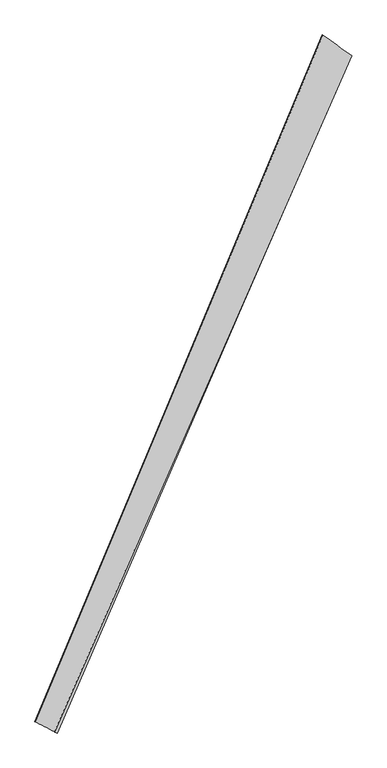
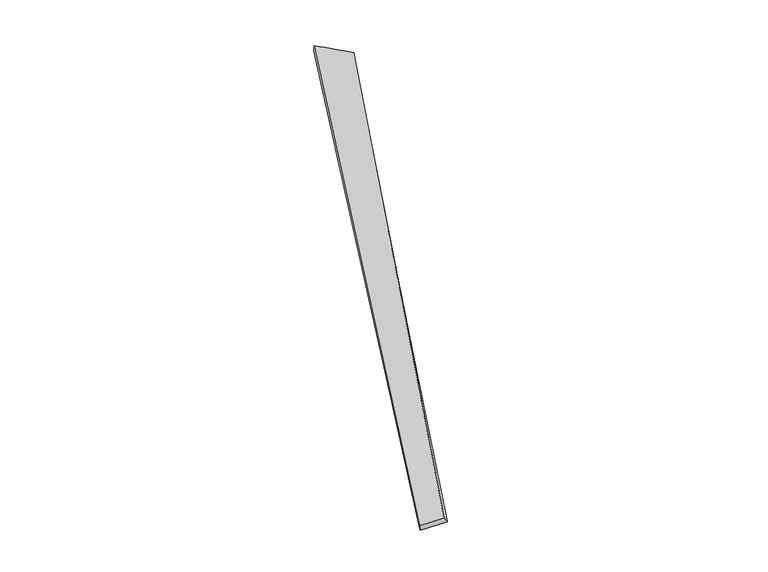
"""IFC4 building model written with IfcOpenShell, lengths in millimetres: proxy geometry."""

import ifcopenshell
import ifcopenshell.guid

model = None  # the IFC model being written
_history = None  # IfcOwnerHistory: only IFC2X3 demands one
_inside = {}  # id of a spatial element -> (the spatial element, [elements in it])
_under = {}  # id of a project, library or spatial element -> (it, [spatial elements below it])
_declared = {}  # id of a project -> (the project, [libraries it declares])
_typed = {}  # id of a type object -> (the type object, [elements of that type])
_made_of = {}  # id of a material, layer set ... -> (it, [elements and type objects made of it])


def new_model(schema):
    """Start an empty IFC model of exactly this schema.

    Asked for "IFC4X3", IfcOpenShell would pick the latest addendum, in which some entities
    have other attributes; the version numbers below select the first issue.
    IFC2X3 requires an IfcOwnerHistory on every rooted entity: one is made here for all.
    """
    global model, _history
    if schema == "IFC4X3":
        model = ifcopenshell.file(schema_version=(4, 3, 0, 0))
    else:
        model = ifcopenshell.file(schema=schema)
    _inside.clear()
    _under.clear()
    _declared.clear()
    _typed.clear()
    _made_of.clear()
    _history = None
    if model.schema == "IFC2X3":
        org = make("IfcOrganization", Name="unknown")
        user = make(
            "IfcPersonAndOrganization",
            ThePerson=make("IfcPerson", FamilyName="unknown"),
            TheOrganization=org,
        )
        app = make(
            "IfcApplication",
            ApplicationDeveloper=org,
            Version="unknown",
            ApplicationFullName="unknown",
            ApplicationIdentifier="unknown",
        )
        _history = make(
            "IfcOwnerHistory",
            OwningUser=user,
            OwningApplication=app,
            ChangeAction="ADDED",
            CreationDate=0,
        )
    return model


def make(cls, **values):
    """One entity of the class cls with the attributes given. An attribute that is None is left unset."""
    return model.create_entity(
        cls, **{name: value for name, value in values.items() if value is not None}
    )


def rooted(cls, **values):
    """An entity with a GlobalId (a new one), such as an element, a storey or a relation."""
    return make(cls, GlobalId=ifcopenshell.guid.new(), OwnerHistory=_history, **values)


def si_unit(unit_type, name, prefix=None):
    """IfcSIUnit, for example si_unit("LENGTHUNIT", "METRE", prefix="MILLI")."""
    return make("IfcSIUnit", UnitType=unit_type, Prefix=prefix, Name=name)


def assignment(units):
    """IfcUnitAssignment: the units of a project."""
    return None if units is None else make("IfcUnitAssignment", Units=units)


def point(xyz):
    """IfcCartesianPoint."""
    return None if xyz is None else make("IfcCartesianPoint", Coordinates=xyz)


def direction(xyz):
    """IfcDirection."""
    return None if xyz is None else make("IfcDirection", DirectionRatios=xyz)


def frame(location, z_axis=None, x_axis=None):
    """IfcAxis2Placement3D, a coordinate frame: its origin and axes. An axis left out is left unset."""
    return make(
        "IfcAxis2Placement3D",
        Location=point(location),
        Axis=direction(z_axis),
        RefDirection=direction(x_axis),
    )


def origin():
    """The frame at (0, 0, 0) with its axes left unset."""
    return frame((0.0, 0.0, 0.0))


def place(relative_to, where):
    """IfcLocalPlacement: puts the frame where relative to a parent placement (None: the world)."""
    return make(
        "IfcLocalPlacement", PlacementRelTo=relative_to, RelativePlacement=where
    )


def context(
    kind, dimensions, precision=None, world=None, true_north=None, identifier=None
):
    """IfcGeometricRepresentationContext, for example the 3D "Model" context."""
    return make(
        "IfcGeometricRepresentationContext",
        ContextIdentifier=identifier,
        ContextType=kind,
        CoordinateSpaceDimension=dimensions,
        Precision=precision,
        WorldCoordinateSystem=world,
        TrueNorth=true_north,
    )


def project(units=None, contexts=None):
    """IfcProject with its units and contexts."""
    return rooted(
        "IfcProject",
        Name="project",
        RepresentationContexts=contexts,
        UnitsInContext=assignment(units),
    )


def spatial(cls, under=None, at=None, **own):
    """A site, building, storey or space (cls), placed at a placement, below another one or the project."""
    s = rooted(cls, ObjectPlacement=at, **own)
    if under is not None:
        _under.setdefault(under.id(), (under, []))[1].append(s)
    return s


def shape(context_of_items, identifier, shape_type, items):
    """IfcShapeRepresentation: the items that make up one representation, for example the "Body"."""
    return make(
        "IfcShapeRepresentation",
        ContextOfItems=context_of_items,
        RepresentationIdentifier=identifier,
        RepresentationType=shape_type,
        Items=items,
    )


def source(mapping_origin, context_of_items, identifier, shape_type, items):
    """IfcRepresentationMap: a shape defined once, which mapped items show again and again."""
    return make(
        "IfcRepresentationMap",
        MappingOrigin=mapping_origin,
        MappedRepresentation=shape(context_of_items, identifier, shape_type, items),
    )


def transform(
    local_origin,
    x_axis=None,
    y_axis=None,
    z_axis=None,
    scale=None,
    scale2=None,
    scale3=None,
    uniform=True,
):
    """IfcCartesianTransformationOperator3D, or its non-uniform kind. x_axis, y_axis, z_axis: its Axis1, 2, 3."""
    if uniform:
        return make(
            "IfcCartesianTransformationOperator3D",
            Axis1=direction(x_axis),
            Axis2=direction(y_axis),
            LocalOrigin=point(local_origin),
            Scale=scale,
            Axis3=direction(z_axis),
        )
    return make(
        "IfcCartesianTransformationOperator3DnonUniform",
        Axis1=direction(x_axis),
        Axis2=direction(y_axis),
        LocalOrigin=point(local_origin),
        Scale=scale,
        Axis3=direction(z_axis),
        Scale2=scale2,
        Scale3=scale3,
    )


def mapped(mapping_source, mapping_target):
    """IfcMappedItem: shows the shape of a source again, moved by a transform."""
    return make(
        "IfcMappedItem", MappingSource=mapping_source, MappingTarget=mapping_target
    )


def made_of(thing, what):
    """Note that an element or type object is made of a material, layer set ...; save() writes the relation."""
    if what is not None:
        _made_of.setdefault(what.id(), (what, []))[1].append(thing)
    return thing


def element(
    cls,
    number,
    at=None,
    inside=None,
    cuts=None,
    type_object=None,
    material=None,
    context=None,
    identifier="Body",
    shape_type=None,
    held_by="IfcProductDefinitionShape",
    body=None,
    shapes=None,
    **own,
):
    """One element of the class cls, such as IfcWall. Its Tag is "e" and its number.

    at: its placement. inside: the storey or other place that contains it. cuts: it is an
    opening in that element (IfcRelVoidsElement). A single representation is given by context,
    identifier, shape_type and body (its items); several are given by shapes. held_by: the class
    of the entity that holds the representations. save() writes the other relations.
    """
    e = rooted(cls, Tag="e%d" % number, ObjectPlacement=at, **own)
    if body is not None:
        shapes = [shape(context, identifier, shape_type, body)]
    if shapes is not None:
        e.Representation = make(held_by, Representations=shapes)
    if inside is not None:
        _inside.setdefault(inside.id(), (inside, []))[1].append(e)
    if cuts is not None:
        rooted(
            "IfcRelVoidsElement", RelatingBuildingElement=cuts, RelatedOpeningElement=e
        )
    if type_object is not None:
        _typed.setdefault(type_object.id(), (type_object, []))[1].append(e)
    return made_of(e, material)


def aggregate(whole, parts):
    """IfcRelAggregates: a whole, such as a stair, and the parts it consists of."""
    return rooted("IfcRelAggregates", RelatingObject=whole, RelatedObjects=parts)


def save(model, path):
    """Write the relations noted so far, then the file.

    IfcRelAggregates (storeys below a building ...), IfcRelContainedInSpatialStructure (elements
    in a storey), IfcRelDefinesByType, IfcRelAssociatesMaterial and IfcRelDeclares: one each for
    every whole, place, type object, material and project.
    """
    for whole, parts in _under.values():
        aggregate(whole, parts)
    for where, things in _inside.values():
        rooted(
            "IfcRelContainedInSpatialStructure",
            RelatedElements=things,
            RelatingStructure=where,
        )
    for kind, things in _typed.values():
        rooted("IfcRelDefinesByType", RelatedObjects=things, RelatingType=kind)
    for what, things in _made_of.values():
        rooted("IfcRelAssociatesMaterial", RelatedObjects=things, RelatingMaterial=what)
    for by, libraries in _declared.values():
        rooted("IfcRelDeclares", RelatingContext=by, RelatedDefinitions=libraries)
    model.write(path)


def spline_surface(u_degree, v_degree, points, u_multiplicities, v_multiplicities, u_knots, v_knots, weights=None):
    """IfcBSplineSurfaceWithKnots; with weights, IfcRationalBSplineSurfaceWithKnots. points: one row for each step in u."""
    own = dict(
        UDegree=u_degree,
        VDegree=v_degree,
        ControlPointsList=[[point(p) for p in row] for row in points],
        SurfaceForm="UNSPECIFIED",
        UClosed=False,
        VClosed=False,
        SelfIntersect=False,
        UMultiplicities=u_multiplicities,
        VMultiplicities=v_multiplicities,
        UKnots=u_knots,
        VKnots=v_knots,
        KnotSpec="UNSPECIFIED",
    )
    if weights is None:
        return make("IfcBSplineSurfaceWithKnots", **own)
    return make("IfcRationalBSplineSurfaceWithKnots", WeightsData=weights, **own)


def advanced_brep(points, edges, surfaces, faces):
    """IfcAdvancedBrep: a solid bounded by faces that lie on surfaces and meet in shared edges.

    An edge is (start, end): straight between two places in points (the first is 0);
    or (start, end, curve); or (start, end, curve, False) where it runs against its curve.
    A face is (place in surfaces, loops), or (place, loops, False) where it looks against
    its surface's normal. A loop lists edges by number (the first is 1), with a minus sign
    where the edge is run from its end to its start. The first loop is the outer one.
    """
    corners = [point(p) for p in points]
    vertices = [make("IfcVertexPoint", VertexGeometry=c) for c in corners]
    made = []
    for start, end, *more in edges:
        made.append(
            make(
                "IfcEdgeCurve",
                EdgeStart=vertices[start],
                EdgeEnd=vertices[end],
                EdgeGeometry=more[0] if more else make("IfcPolyline", Points=[corners[start], corners[end]]),
                SameSense=more[1] if len(more) > 1 else True,
            )
        )
    hull = []
    for where, loops, *sense in faces:
        bounds = []
        for j, loop in enumerate(loops):
            ring = [make("IfcOrientedEdge", EdgeElement=made[abs(k) - 1], Orientation=k > 0) for k in loop]
            bounds.append(
                make(
                    "IfcFaceOuterBound" if j == 0 else "IfcFaceBound",
                    Bound=make("IfcEdgeLoop", EdgeList=ring),
                    Orientation=True,
                )
            )
        hull.append(make("IfcAdvancedFace", Bounds=bounds, FaceSurface=surfaces[where], SameSense=sense[0] if sense else True))
    return make("IfcAdvancedBrep", Outer=make("IfcClosedShell", CfsFaces=hull))


def generic_models_b37570a9(model_context):
    return source(origin(), model_context, "Body", "AdvancedBrep", [
        advanced_brep(
        [(-695.6425339, -1762.2944193, 23.5555763), (-680.8648736, -1769.044012, -1.6647281), (977.5863849, 2056.9016399, -44.7731992), (981.9675769, 2055.2767187, -15.1393539), (-801.9891783, -1705.1224019, -53.1165895), (815.869368, 2172.64344, -14.6089216), (-806.2694933, -1703.6204925, -23.4615196), (819.9444503, 2170.638193, 15.0452972)],
        [
            (0, 1),
            (1, 2),
            (2, 3),
            (3, 0),
            (1, 4),
            (4, 5),
            (5, 2),
            (4, 6),
            (6, 7),
            (7, 5),
            (6, 0),
            (3, 7),
        ],
        [
            spline_surface(1, 1, [[(-695.6425339, -1762.2944193, 23.5555763), (981.9675769, 2055.2767187, -15.1393539)], [(-680.8648736, -1769.044012, -1.6647281), (977.5863849, 2056.9016399, -44.7731992)]], [2, 2], [2, 2], [0.0, 1.0], [0.0, 1.0]),
            spline_surface(1, 1, [[(-680.8648736, -1769.044012, -1.6647281), (977.5863849, 2056.9016399, -44.7731992)], [(-801.9891783, -1705.1224019, -53.1165895), (815.869368, 2172.64344, -14.6089216)]], [2, 2], [2, 2], [0.0, 1.0], [0.0, 1.0]),
            spline_surface(1, 1, [[(-801.9891783, -1705.1224019, -53.1165895), (815.869368, 2172.64344, -14.6089216)], [(-806.2694933, -1703.6204925, -23.4615196), (819.9444503, 2170.638193, 15.0452972)]], [2, 2], [2, 2], [0.0, 1.0], [0.0, 1.0]),
            spline_surface(1, 1, [[(-806.2694933, -1703.6204925, -23.4615196), (819.9444503, 2170.638193, 15.0452972)], [(-695.6425339, -1762.2944193, 23.5555763), (981.9675769, 2055.2767187, -15.1393539)]], [2, 2], [2, 2], [0.0, 1.0], [0.0, 1.0]),
            spline_surface(1, 1, [[(977.5863849, 2056.9016399, -44.7731992), (981.9675769, 2055.2767187, -15.1393539)], [(815.869368, 2172.64344, -14.6089216), (819.9444503, 2170.638193, 15.0452972)]], [2, 2], [2, 2], [0.0, 1.0], [0.0, 1.0]),
            spline_surface(1, 1, [[(-806.2694933, -1703.6204925, -23.4615196), (-695.6425339, -1762.2944193, 23.5555763)], [(-801.9891783, -1705.1224019, -53.1165895), (-680.8648736, -1769.044012, -1.6647281)]], [2, 2], [2, 2], [0.0, 1.0], [0.0, 1.0]),
        ],
        [
            (0, [[1, 2, 3, 4]]),
            (1, [[5, 6, 7, -2]]),
            (2, [[8, 9, 10, -6]]),
            (3, [[11, -4, 12, -9]]),
            (4, [[-3, -7, -10, -12]]),
            (5, [[-11, -8, -5, -1]]),
        ],
    ),
    ])


if __name__ == "__main__":
    model = new_model("IFC4")
    model_context = context("Model", 3, world=origin())
    ifc_project = project(units=[si_unit("LENGTHUNIT", "METRE", prefix="MILLI")], contexts=[model_context])
    site = spatial("IfcSite", under=ifc_project)
    building = spatial("IfcBuilding", under=site)
    placement = place(None, origin())
    generic_models_shape = generic_models_b37570a9(model_context)
    element("IfcBuildingElementProxy", 1, Name="Generic Models", at=placement, inside=building, context=model_context, shape_type="MappedRepresentation", body=[
        mapped(generic_models_shape, transform((0.0, 0.0, 0.0), x_axis=(1.0, 0.0, 0.0), y_axis=(0.0, 1.0, 0.0), z_axis=(0.0, 0.0, 1.0))),
    ])
    save(model, "model.ifc")
